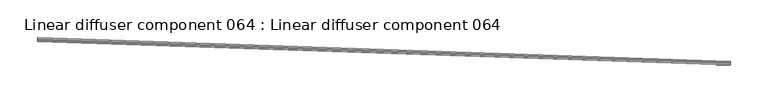
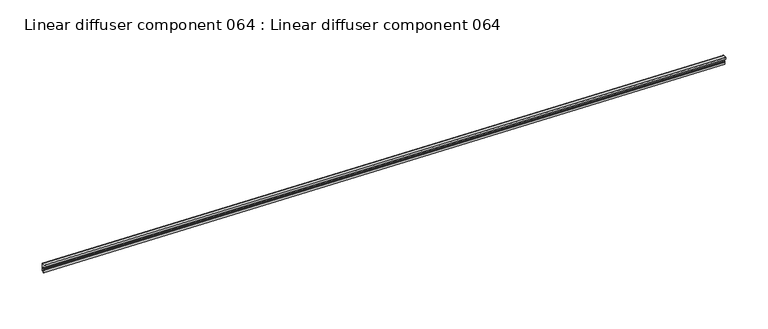
"""IFC4 building model written with IfcOpenShell, lengths in millimetres: proxy geometry, Linear diffuser component 064 : Linear diffuser component 064."""

from ifc_helpers import new_model, si_unit, origin, place, context, project, spatial, triangles, source, transform, mapped, element, save


def linear_diffuser_component_064_linear_diffuser_component_064_7c34e74a(model_context):
    return source(origin(), model_context, "Body", "Tessellation", [
        triangles([(34346.5616638, -15704.6193146, 3052.9982323), (33432.6965149, -15673.3456421, 3052.9982323), (33432.7058167, -15673.1165863, 3052.6799377), (34346.5709656, -15704.3914215, 3052.6799377), (33432.691864, -15673.5060974, 3052.6799377), (34346.5570129, -15704.7797699, 3052.6799377), (33432.691864, -15673.5060974, 3049.325782), (34346.5570129, -15704.7797699, 3049.325782), (34346.5709656, -15704.3890961, 3048.9377243), (33432.7058167, -15673.1142609, 3048.9377243), (33432.7406982, -15672.0910675, 3048.9377243), (34346.6058472, -15703.36474, 3048.9377243), (33432.7406982, -15672.0910675, 3049.7164558), (34346.6058472, -15703.36474, 3049.7164558), (33432.7941833, -15670.4981415, 3049.7164558), (34346.6593323, -15701.771814, 3049.7164558), (33432.7941833, -15670.4981415, 3059.7356117), (34346.6593323, -15701.771814, 3059.7356117), (34346.6639832, -15701.655542, 3059.7356117), (33432.7988342, -15670.3818695, 3059.7356117), (33432.7988342, -15670.3818695, 3060.5111458), (34346.6639832, -15701.655542, 3060.5111458), (33432.6383789, -15675.0525146, 3060.5111458), (34346.5035278, -15706.3273499, 3060.5111458), (33432.6383789, -15675.0525146, 3060.1230881), (34346.5035278, -15706.3273499, 3060.1230881), (33432.6267517, -15675.4397003, 3060.1230881), (34346.4919006, -15706.7145355, 3060.1230881), (33432.6267517, -15675.4397003, 3058.14879), (34346.4919006, -15706.7145355, 3058.14879), (34346.5058533, -15706.3064209, 3057.8307861), (33432.6407043, -15675.0327484, 3057.8307861), (33432.7081421, -15673.0177551, 3056.9985695), (34346.573291, -15704.2914276, 3056.9985695), (33432.7360474, -15672.2480347, 3055.1364738), (34346.6011963, -15703.5217072, 3055.1364738), (33432.7244202, -15672.5375519, 3053.934803), (34346.5895691, -15703.8123871, 3053.934803)], [[4, 1, 2], [2, 3, 4], [6, 4, 5], [3, 5, 4], [8, 6, 5], [5, 7, 8], [12, 9, 10], [10, 11, 12], [14, 12, 11], [11, 13, 14], [16, 14, 13], [13, 15, 16], [18, 16, 17], [15, 17, 16], [22, 19, 21], [20, 21, 19], [24, 22, 23], [21, 23, 22], [26, 24, 25], [23, 25, 24], [28, 26, 27], [25, 27, 26], [30, 28, 29], [27, 29, 28], [34, 31, 33], [32, 33, 31], [36, 34, 33], [33, 35, 36], [38, 36, 35], [35, 37, 38], [1, 38, 2], [37, 2, 38]], closed=False),
    ])


if __name__ == "__main__":
    model = new_model("IFC4")
    model_context = context("Model", 3, world=origin())
    ifc_project = project(units=[si_unit("LENGTHUNIT", "METRE", prefix="MILLI")], contexts=[model_context])
    site = spatial("IfcSite", under=ifc_project)
    building = spatial("IfcBuilding", under=site)
    placement = place(None, origin())
    linear_diffuser_component_064_linear_diffuser_component_064_shape = linear_diffuser_component_064_linear_diffuser_component_064_7c34e74a(model_context)
    element("IfcBuildingElementProxy", 1, Name="Linear diffuser component 064 : Linear diffuser component 064", ObjectType="Linear diffuser component 064 : Linear diffuser component 064", at=placement, inside=building, context=model_context, shape_type="MappedRepresentation", body=[
        mapped(linear_diffuser_component_064_linear_diffuser_component_064_shape, transform((0.0, 0.0, 0.0), x_axis=(1.0, 0.0, 0.0), y_axis=(0.0, 1.0, 0.0), z_axis=(0.0, 0.0, 1.0))),
    ])
    save(model, "model.ifc")
